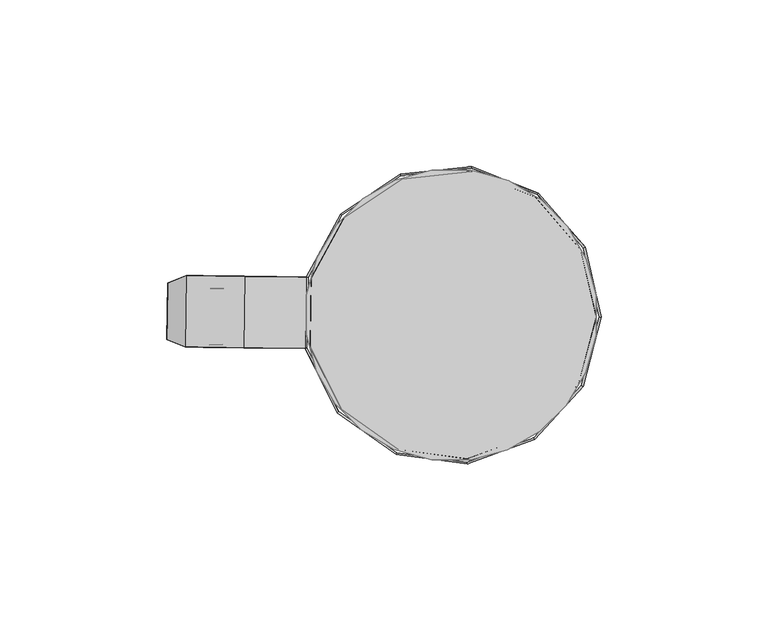
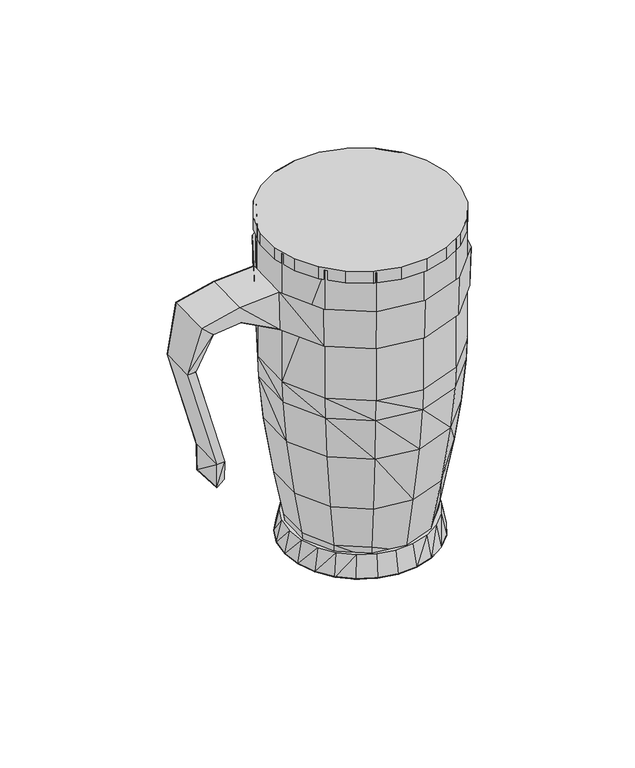
"""IFC4 building model written with IfcOpenShell, lengths in millimetres: furniture geometry."""

from ifc_helpers import new_model, si_unit, origin, place, context, project, spatial, triangles, source, transform, mapped, element, save


def furniture_9d743539(model_context):
    return source(origin(), model_context, "Body", "Tessellation", [
        triangles([(23.5323209, -31.0301395, 7.273655), (8.2947017, -29.9211774, 13.6736544), (8.6947029, -29.0211801, 7.273655), (37.5699361, -25.921174, 7.273655), (24.0323199, -36.130137, 35.3265229), (6.7947024, -33.8301434, 35.3265229), (-4.3429183, -21.0211801, 13.6736544), (-15.2805387, -8.1122183, 35.3265229), (-11.2805399, -7.112218, 13.6736544), (-3.5429183, -20.3211797, 7.273655), (-7.4429181, -23.7211834, 35.3265229), (-10.2805407, -6.9122178, 7.273655), (47.7075576, -14.9122075, 7.273655), (48.5075542, -15.3122069, 13.6736544), (40.4075581, -30.2211727, 35.3265229), (-11.080543, 8.20571, 13.6736544), (-15.080543, 9.3057092, 35.3265229), (-10.0805427, 8.0057091, 7.273655), (51.4451702, -0.303242, 7.273655), (52.4451682, -0.3032418, 13.6736544), (53.5451737, -18.1122064, 43.9265203), (48.1075514, 14.205719, 7.273655), (49.007551, 14.7057192, 13.6736544), (58.14517, -0.4032411, 43.9265203), (-3.7429259, 21.9146734, 13.6736544), (-2.9429257, 21.214673, 7.273655), (38.2699297, 25.6146815, 7.273655), (38.8699294, 26.4146804, 13.6736544), (54.0451659, 17.3057206, 43.9265203), (7.2946901, 35.82364, 43.9265203), (9.1946905, 30.414677, 13.6736544), (-7.8429272, 25.7146709, 43.9265203), (9.4946909, 29.5146751, 7.273655), (24.4323091, 31.123643, 7.273655), (25.1323072, 36.2236429, 35.3265229), (42.2075482, 31.0236469, 43.9265203), (5.1947036, -37.8301446, 62.8793923), (-10.7805363, -26.5211828, 62.8793923), (24.5323212, -40.5301387, 62.8793923), (-19.5805386, -9.1122192, 62.8793923), (42.9075599, -33.8301366, 62.8793923), (-19.2805432, 10.405708, 62.8793923), (56.0451755, -19.421171, 62.8793923), (60.9451671, -0.5032404, 62.8793923), (-9.9805454, 27.6146707, 62.8793923), (56.5451632, 18.614683, 62.8793923), (6.2946898, 38.4236403, 62.8793923), (25.6323063, 40.5236439, 62.8793923), (43.8075459, 33.3236496, 62.8793923), (4.3947036, -39.7301421, 83.432253), (-12.2805356, -27.8211806, 83.432253), (24.7323226, -42.4301409, 83.432253), (44.0075609, -35.4301366, 83.432253), (-21.4805384, -9.5122197, 83.432253), (57.7451717, -20.421169, 83.432253), (-21.2805415, 10.905707, 83.432253), (62.9451723, -0.5032401, 83.432253), (-11.480547, 28.9146731, 83.432253), (5.59469, 40.3236424, 83.432253), (58.3451669, 19.5146859, 83.432253), (25.9323061, 42.5236444, 83.432253), (45.0075453, 35.023648, 83.432253), (4.2947037, -40.1301404, 93.7322602), (24.7323226, -42.9301376, 93.7322602), (24.832321, -43.0301406, 157.0144349), (-12.6805362, -28.2211835, 93.7322602), (4.1947033, -40.2301434, 157.0144349), (-12.6805362, -28.2211835, 157.0144349), (44.3075608, -35.8301372, 93.7322602), (58.1451745, -20.6211704, 93.7322602), (44.3075608, -35.9301334, 157.0144349), (-21.9805397, -9.6122199, 93.7322602), (63.4451644, -0.50324, 93.7322602), (63.5451674, -0.50324, 157.0144349), (58.245173, -20.6211704, 157.0144349), (-21.6805421, 11.0057065, 93.7322602), (-22.0805381, -9.6122199, 157.0144349), (-21.7805428, 11.1057084, 157.0144349), (58.7451652, 19.7146851, 93.7322602), (-11.7805457, 29.2146707, 93.7322602), (5.3946891, 40.8236392, 93.7322602), (-11.8805464, 29.3146737, 157.0144349), (45.3075452, 35.3236501, 93.7322602), (45.3075452, 35.4236486, 157.0144349), (58.8451681, 19.7146851, 157.0144349), (26.0323068, 43.0236411, 93.7322602), (5.3946891, 40.8236392, 157.0144349), (26.0323068, 43.1236441, 157.0144349)], [[1, 2, 3], [1, 4, 5], [1, 6, 2], [1, 5, 6], [7, 8, 9], [7, 10, 3], [7, 2, 11], [7, 3, 2], [7, 11, 8], [7, 9, 10], [10, 9, 12], [2, 6, 11], [4, 13, 14], [4, 15, 5], [4, 14, 15], [9, 16, 12], [9, 8, 17], [9, 17, 16], [12, 16, 18], [13, 19, 14], [14, 19, 20], [14, 20, 21], [14, 21, 15], [19, 22, 20], [20, 22, 23], [20, 23, 24], [20, 24, 21], [16, 25, 18], [16, 17, 25], [18, 25, 26], [22, 27, 23], [23, 27, 28], [23, 28, 29], [23, 29, 24], [25, 30, 31], [25, 17, 32], [25, 32, 30], [25, 31, 26], [26, 31, 33], [31, 34, 33], [31, 30, 35], [31, 35, 34], [27, 34, 28], [28, 36, 29], [28, 35, 36], [28, 34, 35], [6, 5, 37], [6, 37, 38], [6, 38, 11], [5, 15, 39], [5, 39, 37], [11, 38, 40], [11, 40, 8], [15, 21, 41], [15, 41, 39], [8, 40, 42], [8, 42, 17], [21, 24, 43], [21, 43, 41], [24, 29, 44], [24, 44, 43], [17, 42, 45], [17, 45, 32], [29, 36, 46], [29, 46, 44], [32, 45, 47], [32, 47, 30], [30, 47, 48], [30, 48, 35], [35, 48, 49], [35, 49, 36], [36, 49, 46], [37, 39, 50], [37, 50, 51], [37, 51, 38], [39, 41, 52], [39, 52, 50], [41, 43, 53], [41, 53, 52], [38, 51, 54], [38, 54, 40], [43, 44, 55], [43, 55, 53], [40, 54, 56], [40, 56, 42], [44, 46, 57], [44, 57, 55], [42, 56, 58], [42, 58, 45], [45, 59, 47], [45, 58, 59], [46, 49, 60], [46, 60, 57], [47, 59, 61], [47, 61, 48], [48, 61, 62], [48, 62, 49], [49, 62, 60], [63, 50, 52], [63, 64, 65], [63, 52, 64], [63, 66, 50], [63, 67, 68], [63, 65, 67], [63, 68, 66], [50, 66, 51], [64, 52, 53], [64, 53, 69], [64, 69, 65], [53, 55, 69], [69, 70, 71], [69, 55, 70], [69, 71, 65], [66, 72, 51], [66, 68, 72], [51, 72, 54], [55, 57, 70], [70, 57, 73], [70, 73, 74], [70, 75, 71], [70, 74, 75], [72, 76, 54], [72, 68, 77], [72, 77, 78], [72, 78, 76], [54, 76, 56], [57, 60, 73], [73, 60, 79], [73, 79, 74], [76, 80, 56], [76, 78, 80], [56, 80, 58], [80, 81, 58], [80, 82, 81], [80, 78, 82], [58, 81, 59], [60, 62, 79], [79, 62, 83], [79, 83, 84], [79, 85, 74], [79, 84, 85], [81, 86, 59], [81, 82, 87], [81, 87, 88], [81, 88, 86], [59, 86, 61], [61, 86, 83], [61, 83, 62], [86, 88, 84], [86, 84, 83]], closed=False),
        triangles([(17.6176372, -34.9986972, 0.0), (0.9823629, -29.4490223, 0.0), (-10.8529168, -16.5993513, 0.0), (9.0176369, -33.2490243, 0.0), (34.7881904, -31.8490166, 0.0), (26.4529139, -34.4986959, 0.0), (48.423466, -20.7993414, 0.0), (26.0529133, -32.2490195, 10.6000002), (17.7529135, -32.7490185, 10.6000002), (33.8881863, -29.8490183, 10.6000002), (-5.7176379, -23.749025, 0.0), (2.2823626, -27.5490247, 10.6000002), (-4.1176382, -22.199349, 10.6000002), (9.7176368, -31.149023, 10.6000002), (52.9234638, 4.0000091, 10.6000002), (-8.8529168, -15.4993514, 10.6000002), (-12.75292, 0.4999977, 10.6000002), (2.7823528, 28.0993477, 10.6000002), (40.8881883, -25.4490167, 10.6000002), (46.6234668, -19.4993435, 10.6000002), (42.3234659, -27.2490158, 0.0), (-13.9529172, -8.2496776, 0.0), (-15.0529193, 0.4999973, 0.0), (-10.5529226, 17.2496716, 0.0), (18.2529023, 35.1490264, 0.0), (-11.8529193, -7.7496774, 10.6000002), (50.7234664, -12.2993401, 10.6000002), (52.7234624, -13.1993408, 0.0), (55.0587396, -4.6496651, 0.0), (55.0587396, 4.2000096, 0.0), (48.8234552, 20.5496836, 0.0), (52.8234609, -4.3496658, 10.6000002), (-13.852921, 9.1999971, 0.0), (-11.6529213, 8.5999974, 10.6000002), (-8.552922, 16.2496736, 10.6000002), (50.9234587, 11.8496832, 10.6000002), (47.023456, 19.2496835, 10.6000002), (34.4881815, 29.6993545, 10.6000002), (53.0234577, 12.6496844, 0.0), (-5.2176469, 24.3993487, 0.0), (1.5823523, 29.8993491, 0.0), (-3.6176463, 22.7993487, 10.6000002), (41.3881805, 25.2993574, 10.6000002), (42.8234581, 26.9993558, 0.0), (35.4881772, 31.7993581, 0.0), (9.6176258, 33.6490226, 0.0), (18.352903, 32.9993507, 10.6000002), (10.3176251, 31.4993491, 10.6000002), (26.6529017, 32.3993532, 10.6000002), (27.0529045, 34.5490267, 0.0), (-52.258747, -8.9496842, 51.3868707), (-48.5587457, -8.6496838, 54.2868663), (-48.3587443, -8.7496834, 62.8585814), (-52.3587454, -8.9496842, 62.8585814), (-51.7587457, 7.9999903, 49.8868714), (-48.1587474, 7.9999909, 52.88687), (-48.058749, 7.9999909, 62.8585814), (-52.0587455, 7.9999903, 62.8585814), (-65.0940236, -7.2496864, 110.5454599), (-61.0940225, -7.0496855, 110.5454599), (-60.6940242, 9.6999882, 110.5454599), (-64.7940283, 9.6999882, 110.5454599), (3.7823645, -41.1987026, 120.1454553), (24.8529161, -44.0986936, 120.1454553), (3.5823647, -41.6986993, 138.7888759), (-13.9529138, -29.2490254, 138.7888759), (-13.5529132, -28.8490272, 120.1454553), (44.9234707, -36.7986941, 120.1454553), (24.9529146, -44.5986949, 138.7888759), (59.1587437, -21.0993389, 120.1454553), (45.1234676, -37.2986908, 138.7888759), (-23.5881927, -9.94968, 138.7888759), (-23.1881944, -9.8496793, 120.1454553), (64.5587366, -0.5496634, 120.1454553), (59.6587449, -21.2993381, 138.7888759), (-59.5940232, -9.4496849, 133.1171654), (-54.2940243, -9.4496838, 128.2171738), (-53.9940244, 11.7496655, 128.2171738), (-41.558746, -9.6496824, 129.817176), (-22.7881984, 11.3496706, 120.1454553), (-42.0587473, -9.7496831, 137.4888825), (59.7587343, 20.1496853, 120.1454553), (65.0587378, -0.5496633, 138.7888759), (-59.2940279, 11.9496635, 133.1171654), (-41.3234724, 11.5496675, 129.817176), (-23.2881974, 11.4496713, 138.7888759), (-13.0529256, 30.2993474, 138.7888759), (-12.652925, 29.9993476, 120.1454553), (45.9234551, 36.2490297, 120.1454553), (60.2587356, 20.4496875, 138.7888759), (4.7823497, 42.3490275, 138.7888759), (4.9823505, 41.8490263, 120.1454553), (26.2528988, 44.5490295, 138.7888759), (26.1529004, 44.1490267, 120.1454553), (46.2234549, 36.6490302, 138.7888759), (-41.7587474, 11.6496671, 137.4888825), (-6.8529134, -34.3986975, 158.2606161), (-14.7529138, -26.449026, 158.2606161), (-14.7529138, -26.449026, 152.360622), (-6.8529134, -34.3986975, 152.360622), (2.8823649, -40.1987, 158.2606161), (36.9881924, -40.3986924, 158.2606161), (2.8823649, -40.1987, 152.360622), (14.217638, -43.3986955, 158.2606161), (14.217638, -43.3986955, 152.360622), (26.0529156, -43.3986955, 158.2606161), (26.0529156, -43.3986955, 152.360622), (36.9881924, -40.3986924, 152.360622), (46.7234698, -34.798689, 158.2606161), (54.6587458, -26.9490137, 158.2606161), (-20.288192, -16.6993531, 158.2606161), (46.7234698, -34.798689, 152.360622), (54.6587458, -26.9490137, 152.360622), (-20.288192, -16.6993531, 152.360622), (60.4587415, -17.0993378, 158.2606161), (63.5587431, -5.8496634, 158.2606161), (63.658737, 6.0000113, 158.2606161), (60.6587339, 16.8496858, 158.2606161), (55.058735, 26.5993598, 158.2606161), (3.3823505, 40.5490238, 158.2606161), (60.4587415, -17.0993378, 152.360622), (-23.2881952, -5.7496791, 152.360622), (-23.2881974, 6.0999956, 158.2606161), (-23.2881952, -5.7496791, 158.2606161), (-20.1882004, 17.2496704, 158.2606161), (-14.3529246, 27.0993474, 158.2606161), (-6.3529263, 34.9490227, 158.2606161), (63.5587431, -5.8496634, 152.360622), (-23.2881974, 6.0999956, 152.360622), (63.658737, 6.0000113, 152.360622), (-20.1882004, 17.2496704, 152.360622), (60.6587339, 16.8496858, 152.360622), (-14.3529246, 27.0993474, 152.360622), (55.058735, 26.5993598, 152.360622), (-6.3529263, 34.9490227, 152.360622), (47.2234575, 34.5490312, 158.2606161), (47.2234575, 34.5490312, 152.360622), (3.3823505, 40.5490238, 152.360622), (14.3176228, 43.549027, 158.2606161), (14.3176228, 43.549027, 152.360622), (26.0528997, 43.549027, 158.2606161), (37.3881748, 40.3490315, 158.2606161), (26.0528997, 43.549027, 152.360622), (37.3881748, 40.3490315, 152.360622)], [[1, 2, 3], [1, 4, 2], [1, 5, 6], [1, 3, 7], [1, 7, 5], [1, 6, 8], [1, 9, 4], [1, 8, 9], [6, 10, 8], [6, 5, 10], [11, 12, 13], [11, 3, 2], [11, 2, 12], [11, 13, 3], [2, 4, 14], [2, 14, 12], [12, 14, 9], [12, 9, 10], [12, 10, 15], [12, 16, 13], [12, 17, 16], [12, 15, 18], [12, 18, 17], [4, 9, 14], [9, 8, 10], [10, 19, 20], [10, 20, 15], [10, 5, 19], [5, 21, 19], [5, 7, 21], [19, 21, 20], [21, 7, 20], [3, 22, 23], [3, 23, 24], [3, 24, 25], [3, 25, 7], [3, 16, 22], [3, 13, 16], [16, 26, 22], [16, 17, 26], [20, 7, 27], [20, 27, 15], [7, 28, 27], [7, 29, 28], [7, 30, 29], [7, 31, 30], [7, 25, 31], [27, 32, 15], [27, 28, 32], [28, 29, 32], [22, 26, 23], [26, 17, 23], [32, 29, 15], [29, 30, 15], [23, 33, 24], [23, 17, 33], [33, 17, 34], [33, 34, 24], [17, 35, 34], [17, 18, 35], [34, 35, 24], [15, 30, 36], [15, 37, 38], [15, 36, 37], [15, 38, 18], [30, 31, 39], [30, 39, 36], [24, 40, 41], [24, 41, 25], [24, 35, 40], [35, 18, 42], [35, 42, 40], [37, 43, 38], [37, 31, 43], [37, 36, 39], [37, 39, 31], [31, 44, 43], [31, 45, 44], [31, 25, 45], [40, 42, 41], [42, 18, 41], [41, 46, 25], [41, 18, 46], [18, 47, 48], [18, 38, 47], [18, 48, 46], [48, 47, 25], [48, 25, 46], [47, 49, 50], [47, 50, 25], [47, 38, 49], [49, 38, 45], [49, 45, 50], [38, 43, 44], [38, 44, 45], [45, 25, 50], [51, 52, 53], [51, 53, 54], [51, 55, 52], [51, 54, 55], [52, 56, 57], [52, 57, 53], [52, 55, 56], [55, 58, 56], [55, 54, 58], [56, 58, 57], [54, 59, 58], [54, 53, 60], [54, 60, 59], [53, 57, 61], [53, 61, 60], [58, 62, 57], [58, 59, 62], [57, 62, 61], [63, 64, 65], [63, 65, 66], [63, 66, 67], [64, 68, 69], [64, 69, 65], [68, 70, 71], [68, 71, 69], [67, 72, 73], [67, 66, 72], [70, 74, 75], [70, 75, 71], [59, 76, 62], [59, 60, 77], [59, 77, 76], [60, 61, 78], [60, 78, 77], [73, 79, 80], [73, 81, 79], [73, 72, 81], [74, 82, 83], [74, 83, 75], [62, 84, 61], [62, 76, 84], [61, 84, 78], [80, 79, 85], [80, 85, 86], [80, 86, 87], [80, 87, 88], [82, 89, 90], [82, 90, 83], [88, 87, 91], [88, 91, 92], [92, 91, 93], [92, 93, 94], [94, 93, 95], [94, 95, 89], [89, 95, 90], [76, 77, 79], [76, 79, 81], [76, 81, 84], [77, 78, 85], [77, 85, 79], [84, 96, 78], [84, 81, 96], [78, 96, 85], [85, 96, 86], [81, 72, 96], [72, 86, 96], [97, 98, 99], [97, 99, 100], [97, 101, 102], [97, 102, 98], [97, 100, 101], [100, 103, 101], [101, 104, 102], [101, 103, 104], [103, 105, 104], [104, 105, 106], [104, 106, 102], [105, 107, 106], [107, 102, 106], [107, 108, 102], [102, 109, 110], [102, 110, 111], [102, 111, 98], [102, 108, 109], [108, 112, 109], [109, 112, 110], [112, 113, 110], [98, 114, 99], [98, 111, 114], [110, 115, 116], [110, 116, 117], [110, 117, 118], [110, 118, 119], [110, 119, 120], [110, 120, 111], [110, 113, 115], [113, 121, 115], [114, 111, 122], [111, 123, 124], [111, 125, 123], [111, 126, 125], [111, 127, 126], [111, 120, 127], [111, 124, 122], [115, 121, 116], [121, 128, 116], [124, 129, 122], [124, 123, 129], [128, 117, 116], [128, 130, 117], [129, 123, 131], [123, 125, 131], [117, 130, 118], [130, 132, 118], [125, 133, 131], [125, 126, 133], [118, 132, 119], [132, 134, 119], [126, 135, 133], [126, 127, 135], [119, 134, 136], [134, 137, 136], [119, 136, 120], [135, 127, 138], [127, 120, 138], [120, 139, 140], [120, 140, 138], [120, 141, 139], [120, 142, 141], [120, 136, 142], [139, 141, 143], [139, 143, 140], [141, 142, 144], [141, 144, 143], [142, 136, 137], [142, 137, 144]], closed=False),
    ])


if __name__ == "__main__":
    model = new_model("IFC4")
    model_context = context("Model", 3, world=origin())
    ifc_project = project(units=[si_unit("LENGTHUNIT", "METRE", prefix="MILLI")], contexts=[model_context])
    site = spatial("IfcSite", under=ifc_project)
    building = spatial("IfcBuilding", under=site)
    placement = place(None, origin())
    furniture_shape = furniture_9d743539(model_context)
    element("IfcFurniture", 1, at=placement, inside=building, context=model_context, shape_type="MappedRepresentation", body=[
        mapped(furniture_shape, transform((0.0, 0.0, 0.0), x_axis=(1.0, 0.0, 0.0), y_axis=(0.0, 1.0, 0.0), z_axis=(0.0, 0.0, 1.0))),
    ])
    save(model, "model.ifc")
